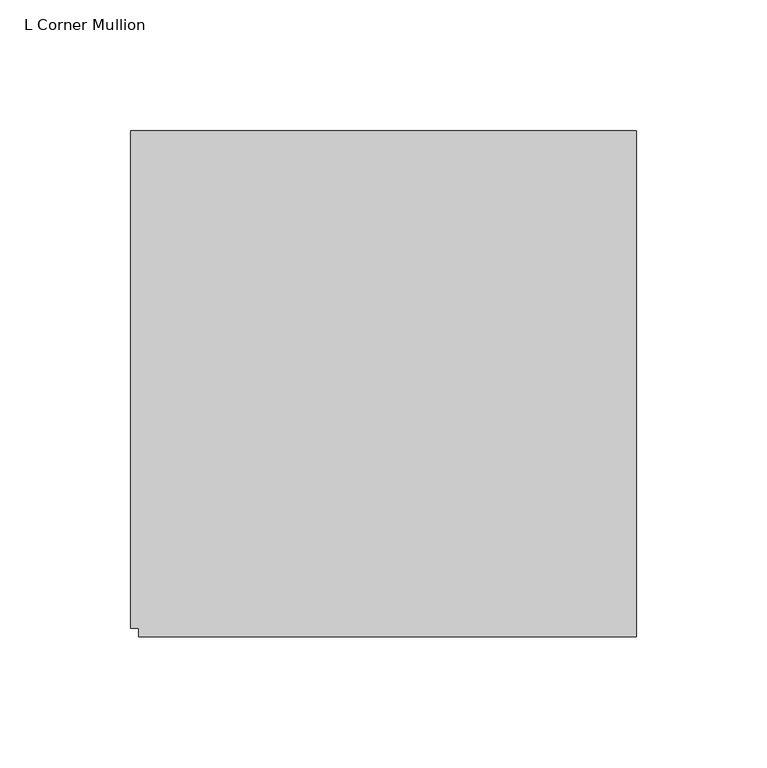
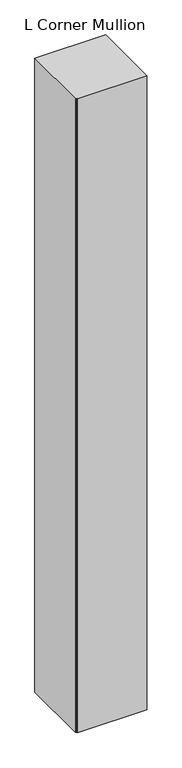
"""IFC4 building model written with IfcOpenShell, lengths in millimetres: member geometry, L Corner Mullion."""

import ifcopenshell
import ifcopenshell.guid

model = None  # the IFC model being written
_history = None  # IfcOwnerHistory: only IFC2X3 demands one
_inside = {}  # id of a spatial element -> (the spatial element, [elements in it])
_under = {}  # id of a project, library or spatial element -> (it, [spatial elements below it])
_declared = {}  # id of a project -> (the project, [libraries it declares])
_typed = {}  # id of a type object -> (the type object, [elements of that type])
_made_of = {}  # id of a material, layer set ... -> (it, [elements and type objects made of it])


def new_model(schema):
    """Start an empty IFC model of exactly this schema.

    Asked for "IFC4X3", IfcOpenShell would pick the latest addendum, in which some entities
    have other attributes; the version numbers below select the first issue.
    IFC2X3 requires an IfcOwnerHistory on every rooted entity: one is made here for all.
    """
    global model, _history
    if schema == "IFC4X3":
        model = ifcopenshell.file(schema_version=(4, 3, 0, 0))
    else:
        model = ifcopenshell.file(schema=schema)
    _inside.clear()
    _under.clear()
    _declared.clear()
    _typed.clear()
    _made_of.clear()
    _history = None
    if model.schema == "IFC2X3":
        org = make("IfcOrganization", Name="unknown")
        user = make(
            "IfcPersonAndOrganization",
            ThePerson=make("IfcPerson", FamilyName="unknown"),
            TheOrganization=org,
        )
        app = make(
            "IfcApplication",
            ApplicationDeveloper=org,
            Version="unknown",
            ApplicationFullName="unknown",
            ApplicationIdentifier="unknown",
        )
        _history = make(
            "IfcOwnerHistory",
            OwningUser=user,
            OwningApplication=app,
            ChangeAction="ADDED",
            CreationDate=0,
        )
    return model


def make(cls, **values):
    """One entity of the class cls with the attributes given. An attribute that is None is left unset."""
    return model.create_entity(
        cls, **{name: value for name, value in values.items() if value is not None}
    )


def rooted(cls, **values):
    """An entity with a GlobalId (a new one), such as an element, a storey or a relation."""
    return make(cls, GlobalId=ifcopenshell.guid.new(), OwnerHistory=_history, **values)


def si_unit(unit_type, name, prefix=None):
    """IfcSIUnit, for example si_unit("LENGTHUNIT", "METRE", prefix="MILLI")."""
    return make("IfcSIUnit", UnitType=unit_type, Prefix=prefix, Name=name)


def assignment(units):
    """IfcUnitAssignment: the units of a project."""
    return None if units is None else make("IfcUnitAssignment", Units=units)


def point(xyz):
    """IfcCartesianPoint."""
    return None if xyz is None else make("IfcCartesianPoint", Coordinates=xyz)


def direction(xyz):
    """IfcDirection."""
    return None if xyz is None else make("IfcDirection", DirectionRatios=xyz)


def frame(location, z_axis=None, x_axis=None):
    """IfcAxis2Placement3D, a coordinate frame: its origin and axes. An axis left out is left unset."""
    return make(
        "IfcAxis2Placement3D",
        Location=point(location),
        Axis=direction(z_axis),
        RefDirection=direction(x_axis),
    )


def origin():
    """The frame at (0, 0, 0) with its axes left unset."""
    return frame((0.0, 0.0, 0.0))


def place(relative_to, where):
    """IfcLocalPlacement: puts the frame where relative to a parent placement (None: the world)."""
    return make(
        "IfcLocalPlacement", PlacementRelTo=relative_to, RelativePlacement=where
    )


def context(
    kind, dimensions, precision=None, world=None, true_north=None, identifier=None
):
    """IfcGeometricRepresentationContext, for example the 3D "Model" context."""
    return make(
        "IfcGeometricRepresentationContext",
        ContextIdentifier=identifier,
        ContextType=kind,
        CoordinateSpaceDimension=dimensions,
        Precision=precision,
        WorldCoordinateSystem=world,
        TrueNorth=true_north,
    )


def project(units=None, contexts=None):
    """IfcProject with its units and contexts."""
    return rooted(
        "IfcProject",
        Name="project",
        RepresentationContexts=contexts,
        UnitsInContext=assignment(units),
    )


def spatial(cls, under=None, at=None, **own):
    """A site, building, storey or space (cls), placed at a placement, below another one or the project."""
    s = rooted(cls, ObjectPlacement=at, **own)
    if under is not None:
        _under.setdefault(under.id(), (under, []))[1].append(s)
    return s


def polyline(points):
    """IfcPolyline through the points."""
    return make("IfcPolyline", Points=[point(p) for p in points])


def outline(outer, holes=None, kind="AREA"):
    """IfcArbitraryClosedProfileDef: a profile drawn as a closed curve; with holes, ...WithVoids."""
    if holes is None:
        return make("IfcArbitraryClosedProfileDef", ProfileType=kind, OuterCurve=outer)
    return make(
        "IfcArbitraryProfileDefWithVoids",
        ProfileType=kind,
        OuterCurve=outer,
        InnerCurves=holes,
    )


def extrude(swept, where, along, depth):
    """IfcExtrudedAreaSolid: the profile swept, set in the frame where, extruded along a direction by depth."""
    return make(
        "IfcExtrudedAreaSolid",
        SweptArea=swept,
        Position=where,
        ExtrudedDirection=direction(along),
        Depth=depth,
    )


def shape(context_of_items, identifier, shape_type, items):
    """IfcShapeRepresentation: the items that make up one representation, for example the "Body"."""
    return make(
        "IfcShapeRepresentation",
        ContextOfItems=context_of_items,
        RepresentationIdentifier=identifier,
        RepresentationType=shape_type,
        Items=items,
    )


def source(mapping_origin, context_of_items, identifier, shape_type, items):
    """IfcRepresentationMap: a shape defined once, which mapped items show again and again."""
    return make(
        "IfcRepresentationMap",
        MappingOrigin=mapping_origin,
        MappedRepresentation=shape(context_of_items, identifier, shape_type, items),
    )


def transform(
    local_origin,
    x_axis=None,
    y_axis=None,
    z_axis=None,
    scale=None,
    scale2=None,
    scale3=None,
    uniform=True,
):
    """IfcCartesianTransformationOperator3D, or its non-uniform kind. x_axis, y_axis, z_axis: its Axis1, 2, 3."""
    if uniform:
        return make(
            "IfcCartesianTransformationOperator3D",
            Axis1=direction(x_axis),
            Axis2=direction(y_axis),
            LocalOrigin=point(local_origin),
            Scale=scale,
            Axis3=direction(z_axis),
        )
    return make(
        "IfcCartesianTransformationOperator3DnonUniform",
        Axis1=direction(x_axis),
        Axis2=direction(y_axis),
        LocalOrigin=point(local_origin),
        Scale=scale,
        Axis3=direction(z_axis),
        Scale2=scale2,
        Scale3=scale3,
    )


def mapped(mapping_source, mapping_target):
    """IfcMappedItem: shows the shape of a source again, moved by a transform."""
    return make(
        "IfcMappedItem", MappingSource=mapping_source, MappingTarget=mapping_target
    )


def made_of(thing, what):
    """Note that an element or type object is made of a material, layer set ...; save() writes the relation."""
    if what is not None:
        _made_of.setdefault(what.id(), (what, []))[1].append(thing)
    return thing


def element(
    cls,
    number,
    at=None,
    inside=None,
    cuts=None,
    type_object=None,
    material=None,
    context=None,
    identifier="Body",
    shape_type=None,
    held_by="IfcProductDefinitionShape",
    body=None,
    shapes=None,
    **own,
):
    """One element of the class cls, such as IfcWall. Its Tag is "e" and its number.

    at: its placement. inside: the storey or other place that contains it. cuts: it is an
    opening in that element (IfcRelVoidsElement). A single representation is given by context,
    identifier, shape_type and body (its items); several are given by shapes. held_by: the class
    of the entity that holds the representations. save() writes the other relations.
    """
    e = rooted(cls, Tag="e%d" % number, ObjectPlacement=at, **own)
    if body is not None:
        shapes = [shape(context, identifier, shape_type, body)]
    if shapes is not None:
        e.Representation = make(held_by, Representations=shapes)
    if inside is not None:
        _inside.setdefault(inside.id(), (inside, []))[1].append(e)
    if cuts is not None:
        rooted(
            "IfcRelVoidsElement", RelatingBuildingElement=cuts, RelatedOpeningElement=e
        )
    if type_object is not None:
        _typed.setdefault(type_object.id(), (type_object, []))[1].append(e)
    return made_of(e, material)


def aggregate(whole, parts):
    """IfcRelAggregates: a whole, such as a stair, and the parts it consists of."""
    return rooted("IfcRelAggregates", RelatingObject=whole, RelatedObjects=parts)


def save(model, path):
    """Write the relations noted so far, then the file.

    IfcRelAggregates (storeys below a building ...), IfcRelContainedInSpatialStructure (elements
    in a storey), IfcRelDefinesByType, IfcRelAssociatesMaterial and IfcRelDeclares: one each for
    every whole, place, type object, material and project.
    """
    for whole, parts in _under.values():
        aggregate(whole, parts)
    for where, things in _inside.values():
        rooted(
            "IfcRelContainedInSpatialStructure",
            RelatedElements=things,
            RelatingStructure=where,
        )
    for kind, things in _typed.values():
        rooted("IfcRelDefinesByType", RelatedObjects=things, RelatingType=kind)
    for what, things in _made_of.values():
        rooted("IfcRelAssociatesMaterial", RelatedObjects=things, RelatingMaterial=what)
    for by, libraries in _declared.values():
        rooted("IfcRelDeclares", RelatingContext=by, RelatedDefinitions=libraries)
    model.write(path)


def l_corner_mullion_f787fd9e(model_context):
    return source(origin(), model_context, "Body", "SweptSolid", [
        extrude(outline(polyline([(-152.4, -155.575), (-152.4, -152.4), (-155.575, -152.4), (-155.575, 38.1), (38.1, 38.1), (38.1, -155.575), (-152.4, -155.575)])), frame((0.0, 0.0, -1828.8), z_axis=(0.0, 0.0, 1.0), x_axis=(1.0, 0.0, 0.0)), (0.0, 0.0, 1.0), 1828.8),
    ])


if __name__ == "__main__":
    model = new_model("IFC4")
    model_context = context("Model", 3, world=origin())
    ifc_project = project(units=[si_unit("LENGTHUNIT", "METRE", prefix="MILLI")], contexts=[model_context])
    site = spatial("IfcSite", under=ifc_project)
    building = spatial("IfcBuilding", under=site)
    placement = place(None, origin())
    l_corner_mullion_shape = l_corner_mullion_f787fd9e(model_context)
    element("IfcMember", 1, ObjectType="L Corner Mullion", at=placement, inside=building, context=model_context, shape_type="MappedRepresentation", body=[
        mapped(l_corner_mullion_shape, transform((0.0, 0.0, 0.0), x_axis=(1.0, 0.0, 0.0), y_axis=(0.0, 1.0, 0.0), z_axis=(0.0, 0.0, 1.0))),
    ])
    save(model, "model.ifc")
